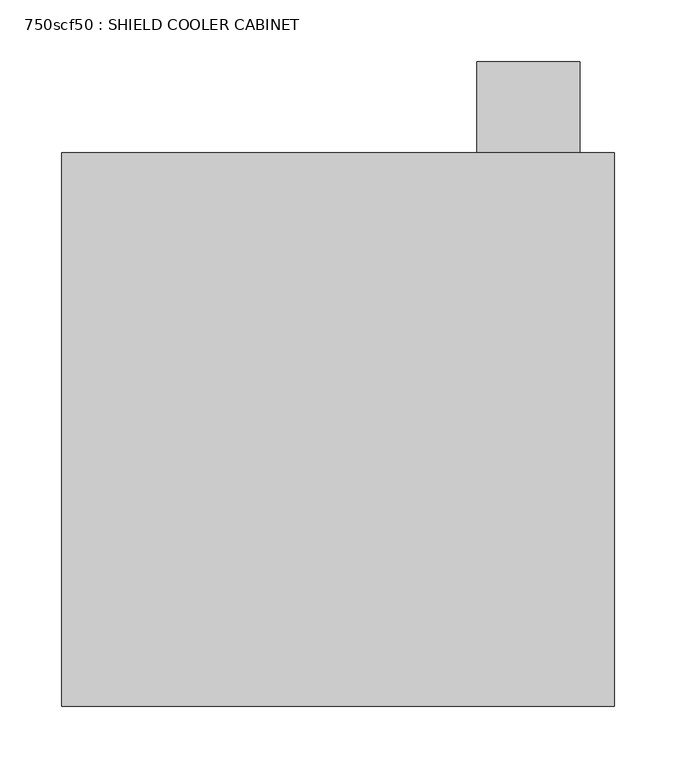
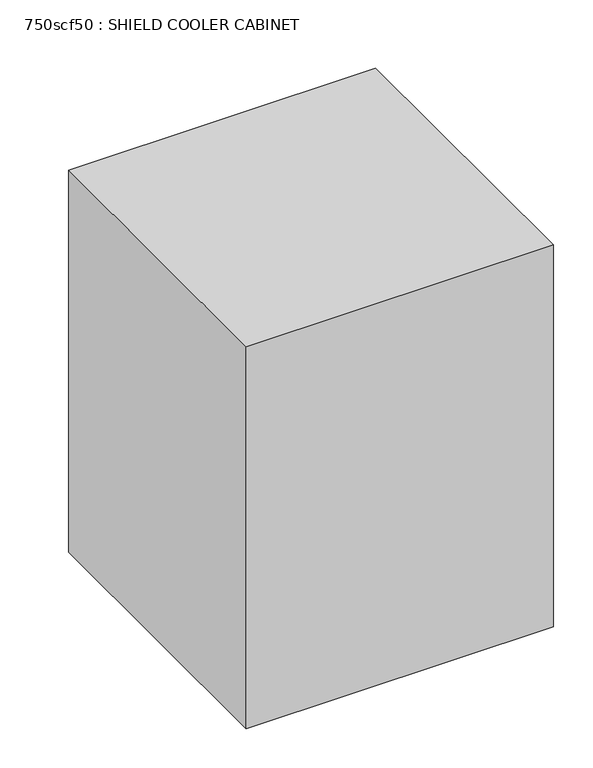
"""IFC4 building model written with IfcOpenShell, lengths in millimetres: proxy geometry, 750scf50 : SHIELD COOLER CABINET."""

import ifcopenshell
import ifcopenshell.guid

model = None  # the IFC model being written
_history = None  # IfcOwnerHistory: only IFC2X3 demands one
_inside = {}  # id of a spatial element -> (the spatial element, [elements in it])
_under = {}  # id of a project, library or spatial element -> (it, [spatial elements below it])
_declared = {}  # id of a project -> (the project, [libraries it declares])
_typed = {}  # id of a type object -> (the type object, [elements of that type])
_made_of = {}  # id of a material, layer set ... -> (it, [elements and type objects made of it])


def new_model(schema):
    """Start an empty IFC model of exactly this schema.

    Asked for "IFC4X3", IfcOpenShell would pick the latest addendum, in which some entities
    have other attributes; the version numbers below select the first issue.
    IFC2X3 requires an IfcOwnerHistory on every rooted entity: one is made here for all.
    """
    global model, _history
    if schema == "IFC4X3":
        model = ifcopenshell.file(schema_version=(4, 3, 0, 0))
    else:
        model = ifcopenshell.file(schema=schema)
    _inside.clear()
    _under.clear()
    _declared.clear()
    _typed.clear()
    _made_of.clear()
    _history = None
    if model.schema == "IFC2X3":
        org = make("IfcOrganization", Name="unknown")
        user = make(
            "IfcPersonAndOrganization",
            ThePerson=make("IfcPerson", FamilyName="unknown"),
            TheOrganization=org,
        )
        app = make(
            "IfcApplication",
            ApplicationDeveloper=org,
            Version="unknown",
            ApplicationFullName="unknown",
            ApplicationIdentifier="unknown",
        )
        _history = make(
            "IfcOwnerHistory",
            OwningUser=user,
            OwningApplication=app,
            ChangeAction="ADDED",
            CreationDate=0,
        )
    return model


def make(cls, **values):
    """One entity of the class cls with the attributes given. An attribute that is None is left unset."""
    return model.create_entity(
        cls, **{name: value for name, value in values.items() if value is not None}
    )


def rooted(cls, **values):
    """An entity with a GlobalId (a new one), such as an element, a storey or a relation."""
    return make(cls, GlobalId=ifcopenshell.guid.new(), OwnerHistory=_history, **values)


def si_unit(unit_type, name, prefix=None):
    """IfcSIUnit, for example si_unit("LENGTHUNIT", "METRE", prefix="MILLI")."""
    return make("IfcSIUnit", UnitType=unit_type, Prefix=prefix, Name=name)


def assignment(units):
    """IfcUnitAssignment: the units of a project."""
    return None if units is None else make("IfcUnitAssignment", Units=units)


def point(xyz):
    """IfcCartesianPoint."""
    return None if xyz is None else make("IfcCartesianPoint", Coordinates=xyz)


def direction(xyz):
    """IfcDirection."""
    return None if xyz is None else make("IfcDirection", DirectionRatios=xyz)


def frame(location, z_axis=None, x_axis=None):
    """IfcAxis2Placement3D, a coordinate frame: its origin and axes. An axis left out is left unset."""
    return make(
        "IfcAxis2Placement3D",
        Location=point(location),
        Axis=direction(z_axis),
        RefDirection=direction(x_axis),
    )


def origin():
    """The frame at (0, 0, 0) with its axes left unset."""
    return frame((0.0, 0.0, 0.0))


def origin_with_axes():
    """The frame at (0, 0, 0) with the z axis (0, 0, 1) and the x axis (1, 0, 0) written out."""
    return frame((0.0, 0.0, 0.0), z_axis=(0.0, 0.0, 1.0), x_axis=(1.0, 0.0, 0.0))


def place(relative_to, where):
    """IfcLocalPlacement: puts the frame where relative to a parent placement (None: the world)."""
    return make(
        "IfcLocalPlacement", PlacementRelTo=relative_to, RelativePlacement=where
    )


def context(
    kind, dimensions, precision=None, world=None, true_north=None, identifier=None
):
    """IfcGeometricRepresentationContext, for example the 3D "Model" context."""
    return make(
        "IfcGeometricRepresentationContext",
        ContextIdentifier=identifier,
        ContextType=kind,
        CoordinateSpaceDimension=dimensions,
        Precision=precision,
        WorldCoordinateSystem=world,
        TrueNorth=true_north,
    )


def project(units=None, contexts=None):
    """IfcProject with its units and contexts."""
    return rooted(
        "IfcProject",
        Name="project",
        RepresentationContexts=contexts,
        UnitsInContext=assignment(units),
    )


def spatial(cls, under=None, at=None, **own):
    """A site, building, storey or space (cls), placed at a placement, below another one or the project."""
    s = rooted(cls, ObjectPlacement=at, **own)
    if under is not None:
        _under.setdefault(under.id(), (under, []))[1].append(s)
    return s


def polyline(points):
    """IfcPolyline through the points."""
    return make("IfcPolyline", Points=[point(p) for p in points])


def outline(outer, holes=None, kind="AREA"):
    """IfcArbitraryClosedProfileDef: a profile drawn as a closed curve; with holes, ...WithVoids."""
    if holes is None:
        return make("IfcArbitraryClosedProfileDef", ProfileType=kind, OuterCurve=outer)
    return make(
        "IfcArbitraryProfileDefWithVoids",
        ProfileType=kind,
        OuterCurve=outer,
        InnerCurves=holes,
    )


def extrude(swept, where, along, depth):
    """IfcExtrudedAreaSolid: the profile swept, set in the frame where, extruded along a direction by depth."""
    return make(
        "IfcExtrudedAreaSolid",
        SweptArea=swept,
        Position=where,
        ExtrudedDirection=direction(along),
        Depth=depth,
    )


def shape(context_of_items, identifier, shape_type, items):
    """IfcShapeRepresentation: the items that make up one representation, for example the "Body"."""
    return make(
        "IfcShapeRepresentation",
        ContextOfItems=context_of_items,
        RepresentationIdentifier=identifier,
        RepresentationType=shape_type,
        Items=items,
    )


def source(mapping_origin, context_of_items, identifier, shape_type, items):
    """IfcRepresentationMap: a shape defined once, which mapped items show again and again."""
    return make(
        "IfcRepresentationMap",
        MappingOrigin=mapping_origin,
        MappedRepresentation=shape(context_of_items, identifier, shape_type, items),
    )


def transform(
    local_origin,
    x_axis=None,
    y_axis=None,
    z_axis=None,
    scale=None,
    scale2=None,
    scale3=None,
    uniform=True,
):
    """IfcCartesianTransformationOperator3D, or its non-uniform kind. x_axis, y_axis, z_axis: its Axis1, 2, 3."""
    if uniform:
        return make(
            "IfcCartesianTransformationOperator3D",
            Axis1=direction(x_axis),
            Axis2=direction(y_axis),
            LocalOrigin=point(local_origin),
            Scale=scale,
            Axis3=direction(z_axis),
        )
    return make(
        "IfcCartesianTransformationOperator3DnonUniform",
        Axis1=direction(x_axis),
        Axis2=direction(y_axis),
        LocalOrigin=point(local_origin),
        Scale=scale,
        Axis3=direction(z_axis),
        Scale2=scale2,
        Scale3=scale3,
    )


def mapped(mapping_source, mapping_target):
    """IfcMappedItem: shows the shape of a source again, moved by a transform."""
    return make(
        "IfcMappedItem", MappingSource=mapping_source, MappingTarget=mapping_target
    )


def made_of(thing, what):
    """Note that an element or type object is made of a material, layer set ...; save() writes the relation."""
    if what is not None:
        _made_of.setdefault(what.id(), (what, []))[1].append(thing)
    return thing


def element(
    cls,
    number,
    at=None,
    inside=None,
    cuts=None,
    type_object=None,
    material=None,
    context=None,
    identifier="Body",
    shape_type=None,
    held_by="IfcProductDefinitionShape",
    body=None,
    shapes=None,
    **own,
):
    """One element of the class cls, such as IfcWall. Its Tag is "e" and its number.

    at: its placement. inside: the storey or other place that contains it. cuts: it is an
    opening in that element (IfcRelVoidsElement). A single representation is given by context,
    identifier, shape_type and body (its items); several are given by shapes. held_by: the class
    of the entity that holds the representations. save() writes the other relations.
    """
    e = rooted(cls, Tag="e%d" % number, ObjectPlacement=at, **own)
    if body is not None:
        shapes = [shape(context, identifier, shape_type, body)]
    if shapes is not None:
        e.Representation = make(held_by, Representations=shapes)
    if inside is not None:
        _inside.setdefault(inside.id(), (inside, []))[1].append(e)
    if cuts is not None:
        rooted(
            "IfcRelVoidsElement", RelatingBuildingElement=cuts, RelatedOpeningElement=e
        )
    if type_object is not None:
        _typed.setdefault(type_object.id(), (type_object, []))[1].append(e)
    return made_of(e, material)


def aggregate(whole, parts):
    """IfcRelAggregates: a whole, such as a stair, and the parts it consists of."""
    return rooted("IfcRelAggregates", RelatingObject=whole, RelatedObjects=parts)


def save(model, path):
    """Write the relations noted so far, then the file.

    IfcRelAggregates (storeys below a building ...), IfcRelContainedInSpatialStructure (elements
    in a storey), IfcRelDefinesByType, IfcRelAssociatesMaterial and IfcRelDeclares: one each for
    every whole, place, type object, material and project.
    """
    for whole, parts in _under.values():
        aggregate(whole, parts)
    for where, things in _inside.values():
        rooted(
            "IfcRelContainedInSpatialStructure",
            RelatedElements=things,
            RelatingStructure=where,
        )
    for kind, things in _typed.values():
        rooted("IfcRelDefinesByType", RelatedObjects=things, RelatingType=kind)
    for what, things in _made_of.values():
        rooted("IfcRelAssociatesMaterial", RelatedObjects=things, RelatingMaterial=what)
    for by, libraries in _declared.values():
        rooted("IfcRelDeclares", RelatingContext=by, RelatedDefinitions=libraries)
    model.write(path)


def proxy_750scf50_shield_cooler_cabinet_8871eef0(model_context):
    return source(origin(), model_context, "Body", "SweptSolid", [
        extrude(outline(polyline([(263.1582651, 728.1144152), (346.77568, 728.1144152), (346.77568, 654.1669439), (263.1582651, 654.1669439), (263.1582651, 728.1144152)])), frame((0.0, 0.0, 435.1314633), z_axis=(0.0, 0.0, 1.0), x_axis=(1.0, 0.0, 0.0)), (0.0, 0.0, 1.0), 38.1),
        extrude(outline(polyline([(-74.6306378, 204.0789439), (-74.6306378, 654.1669439), (374.9493622, 654.1669439), (374.9493622, 204.0789439), (-74.6306378, 204.0789439)])), origin_with_axes(), (0.0, 0.0, 1.0), 590.55),
    ])


if __name__ == "__main__":
    model = new_model("IFC4")
    model_context = context("Model", 3, world=origin())
    ifc_project = project(units=[si_unit("LENGTHUNIT", "METRE", prefix="MILLI")], contexts=[model_context])
    site = spatial("IfcSite", under=ifc_project)
    building = spatial("IfcBuilding", under=site)
    placement = place(None, origin())
    proxy_750scf50_shield_cooler_cabinet_shape = proxy_750scf50_shield_cooler_cabinet_8871eef0(model_context)
    element("IfcBuildingElementProxy", 1, Name="750scf50 : SHIELD COOLER CABINET", ObjectType="750scf50 : SHIELD COOLER CABINET", at=placement, inside=building, context=model_context, shape_type="MappedRepresentation", body=[
        mapped(proxy_750scf50_shield_cooler_cabinet_shape, transform((0.0, 0.0, 0.0), x_axis=(1.0, 0.0, 0.0), y_axis=(0.0, 1.0, 0.0), z_axis=(0.0, 0.0, 1.0))),
    ])
    save(model, "model.ifc")
